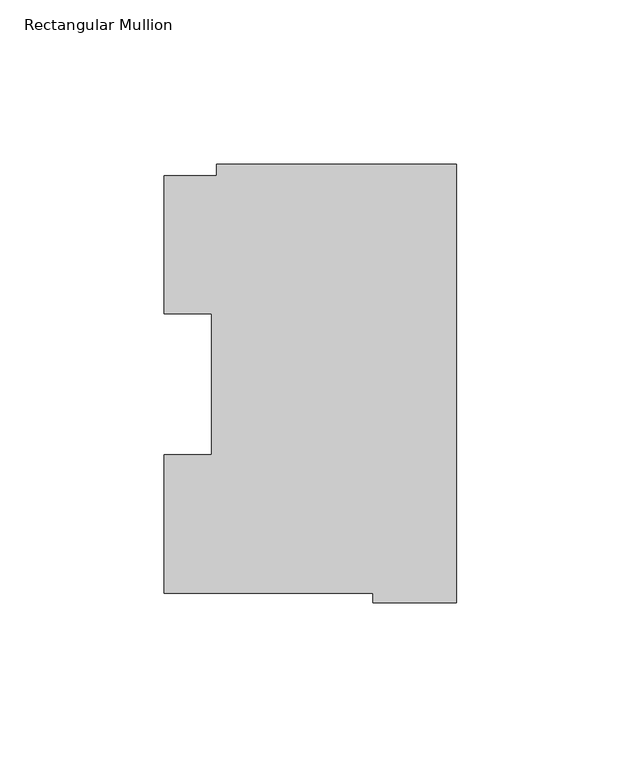
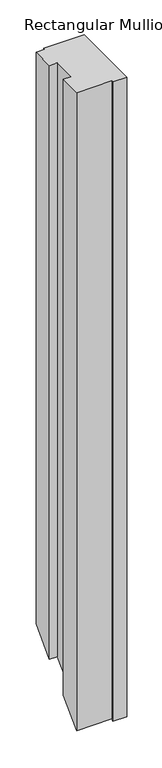
"""IFC4 building model written with IfcOpenShell, lengths in millimetres: member geometry, Rectangular Mullion."""

from ifc_helpers import new_model, si_unit, origin, place, context, project, spatial, faceted_brep, source, transform, mapped, element, save


def rectangular_mullion_fa680b75(model_context):
    return source(origin(), model_context, "Body", "Brep", [
        faceted_brep([(-88.8772701, 127.006348, 0.0), (-88.8772701, 84.93125, 0.0), (-74.4684922, 84.93125, 0.0), (-74.4684922, 42.0814491, 0.0), (-88.8772701, 42.0814491, 0.0), (-88.8772701, 0.0063465, 0.0), (-25.3772701, 0.0063465, 0.0), (-25.3772701, -2.939538, 0.0), (0.0, -2.939538, 0.0), (0.0, 130.4246837, 0.0), (-73.025, 130.4246837, 0.0), (-73.025, 127.006348, 0.0), (-88.8772701, 127.006348, -1092.193652), (-88.8772701, 84.93125, -1134.26875), (-74.4684922, 84.93125, -1134.26875), (-74.4684922, 42.0814491, -1177.1185509), (-88.8772701, 42.0814491, -1177.1185509), (-88.8772701, 0.0063465, -1219.1936535), (-25.3772701, 0.0063465, -1219.1936535), (-25.3772701, -2.939538, -1222.139538), (0.0, -2.939538, -1222.139538), (0.0, 130.4246837, -1088.7753163), (-73.025, 130.4246837, -1088.7753163), (-73.025, 127.006348, -1092.193652)], [[[0, 1, 2, 3, 4, 5, 6, 7, 8, 9, 10, 11]], [[1, 0, 12, 13]], [[2, 1, 13, 14]], [[3, 2, 14, 15]], [[4, 3, 15, 16]], [[5, 4, 16, 17]], [[6, 5, 17, 18]], [[7, 6, 18, 19]], [[8, 7, 19, 20]], [[9, 8, 20, 21]], [[10, 9, 21, 22]], [[11, 10, 22, 23]], [[0, 11, 23, 12]], [[12, 23, 22, 21, 20, 19, 18, 17, 16, 15, 14, 13]]]),
    ])


if __name__ == "__main__":
    model = new_model("IFC4")
    model_context = context("Model", 3, world=origin())
    ifc_project = project(units=[si_unit("LENGTHUNIT", "METRE", prefix="MILLI")], contexts=[model_context])
    site = spatial("IfcSite", under=ifc_project)
    building = spatial("IfcBuilding", under=site)
    placement = place(None, origin())
    rectangular_mullion_shape = rectangular_mullion_fa680b75(model_context)
    element("IfcMember", 1, ObjectType="Rectangular Mullion", at=placement, inside=building, context=model_context, shape_type="MappedRepresentation", body=[
        mapped(rectangular_mullion_shape, transform((0.0, 0.0, 0.0), x_axis=(1.0, 0.0, 0.0), y_axis=(0.0, 1.0, 0.0), z_axis=(0.0, 0.0, 1.0))),
    ])
    save(model, "model.ifc")
